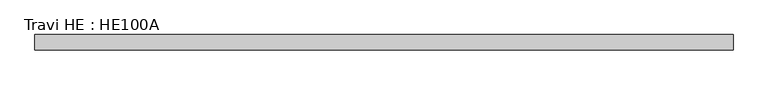
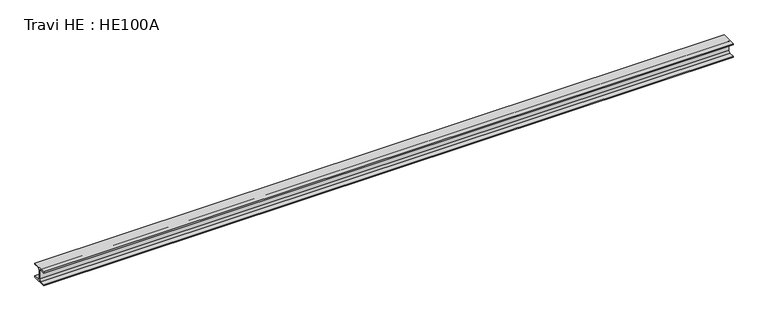
"""IFC4 building model written with IfcOpenShell, lengths in millimetres: beam geometry, Travi HE : HE100A."""

from ifc_helpers import new_model, si_unit, point, frame, frame_2d, origin, place, context, project, spatial, polyline, circle_curve, trimmed, segment, composite_curve, outline, extrude, source, transform, mapped, element, save


def travi_he_he100a_c6f4dce2(model_context):
    return source(origin(), model_context, "Body", "SweptSolid", [
        extrude(outline(composite_curve([segment(polyline([(50.0, -40.0), (50.0, -48.0), (-50.0, -48.0), (-50.0, -40.0), (-14.5, -40.0)]), True, "CONTINUOUS"), segment(trimmed(circle_curve(frame_2d((-14.5, -28.0)), 12.0), [point((-14.5, -40.0))], [point((-2.5, -28.0))], True, "CARTESIAN"), True, "CONTINUOUS"), segment(polyline([(-2.5, -28.0), (-2.5, 28.0)]), True, "CONTINUOUS"), segment(trimmed(circle_curve(frame_2d((-14.5, 28.0)), 12.0), [point((-2.5, 28.0))], [point((-14.5, 40.0))], True, "CARTESIAN"), True, "CONTINUOUS"), segment(polyline([(-14.5, 40.0), (-50.0, 40.0), (-50.0, 48.0), (50.0, 48.0), (50.0, 40.0), (14.5, 40.0)]), True, "CONTINUOUS"), segment(trimmed(circle_curve(frame_2d((14.5, 28.0)), 12.0), [point((14.5, 40.0))], [point((2.5, 28.0))], True, "CARTESIAN"), True, "CONTINUOUS"), segment(polyline([(2.5, 28.0), (2.5, -28.0)]), True, "CONTINUOUS"), segment(trimmed(circle_curve(frame_2d((14.5, -28.0)), 12.0), [point((2.5, -28.0))], [point((14.5, -40.0))], True, "CARTESIAN"), True, "CONTINUOUS"), segment(polyline([(14.5, -40.0), (50.0, -40.0)]), True, "CONTINUOUS")], self_intersect=False)), frame((-2263.0, 0.0, 0.0), z_axis=(1.0, 0.0, 0.0), x_axis=(0.0, 1.0, 0.0)), (0.0, 0.0, 1.0), 4526.0),
    ])


if __name__ == "__main__":
    model = new_model("IFC4")
    model_context = context("Model", 3, world=origin())
    ifc_project = project(units=[si_unit("LENGTHUNIT", "METRE", prefix="MILLI")], contexts=[model_context])
    site = spatial("IfcSite", under=ifc_project)
    building = spatial("IfcBuilding", under=site)
    placement = place(None, origin())
    travi_he_he100a_shape = travi_he_he100a_c6f4dce2(model_context)
    element("IfcBeam", 1, ObjectType="Travi HE : HE100A", at=placement, inside=building, context=model_context, shape_type="MappedRepresentation", body=[
        mapped(travi_he_he100a_shape, transform((0.0, 0.0, 0.0), x_axis=(1.0, 0.0, 0.0), y_axis=(0.0, 1.0, 0.0), z_axis=(0.0, 0.0, 1.0))),
    ])
    save(model, "model.ifc")
